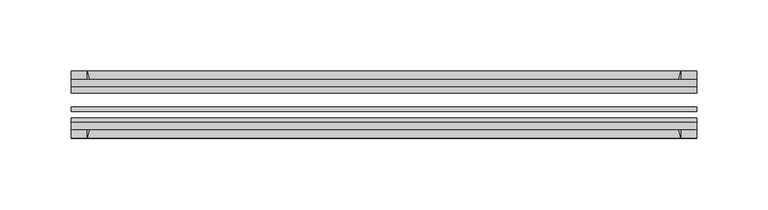
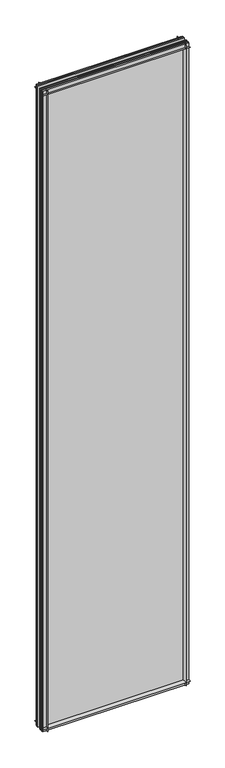
"""IFC4 building model written with IfcOpenShell, lengths in millimetres: plate geometry."""

from ifc_helpers import new_model, si_unit, point, frame, frame_2d, origin, place, context, project, spatial, polyline, circle_curve, trimmed, segment, composite_curve, outline, extrude, source, transform, mapped, element, save


def plate_2f130c12(model_context):
    return source(origin(), model_context, "Body", "SweptSolid", [
        extrude(outline(composite_curve([segment(polyline([(-74.653775, 0.0), (-80.586498, 0.0)]), True, "CONTINUOUS"), segment(trimmed(circle_curve(frame_2d((-86.2543953, 32.273404)), 32.7673262), [point((-80.586498, 0.0))], [point((-69.878575, 3.8915405))], True, "CARTESIAN"), True, "CONTINUOUS"), segment(polyline([(-69.878575, 3.8915405), (-69.878575, -10.31875), (-74.653775, -10.31875), (-74.653775, 0.0)]), True, "CONTINUOUS")], self_intersect=False)), frame((-219.075, 0.0, 0.0), z_axis=(1.0, 0.0, 0.0), x_axis=(0.0, 1.0, 0.0)), (0.0, 0.0, 1.0), 438.15),
        extrude(outline(composite_curve([segment(polyline([(-44.478575, -10.31875), (-44.478575, 3.8915405)]), True, "CONTINUOUS"), segment(trimmed(circle_curve(frame_2d((-28.1027547, 32.273404)), 32.7673262), [point((-44.478575, 3.8915405))], [point((-33.770652, 0.0))], True, "CARTESIAN"), True, "CONTINUOUS"), segment(polyline([(-33.770652, 0.0), (-39.703375, 0.0), (-39.703375, -10.31875), (-44.478575, -10.31875)]), True, "CONTINUOUS")], self_intersect=False)), frame((-219.075, 0.0, 0.0), z_axis=(1.0, 0.0, 0.0), x_axis=(0.0, 1.0, 0.0)), (0.0, 0.0, 1.0), 438.15),
        extrude(outline(composite_curve([segment(trimmed(circle_curve(frame_2d((-86.2543953, 1977.495246)), 32.7673262), [point((-69.878575, 2005.8771095))], [point((-80.622775, 2009.775))], True, "CARTESIAN"), True, "CONTINUOUS"), segment(polyline([(-80.622775, 2009.775), (-74.653775, 2009.775), (-74.653775, 2020.8875), (-69.878575, 2020.8875), (-69.878575, 2005.8771095)]), True, "CONTINUOUS")], self_intersect=False)), frame((-219.075, 0.0, 0.0), z_axis=(1.0, 0.0, 0.0), x_axis=(0.0, 1.0, 0.0)), (0.0, 0.0, 1.0), 438.15),
        extrude(outline(composite_curve([segment(polyline([(-44.478575, 2005.8771095), (-44.478575, 2020.8875), (-39.703375, 2020.8875), (-39.703375, 2009.775), (-33.734375, 2009.775)]), True, "CONTINUOUS"), segment(trimmed(circle_curve(frame_2d((-28.1027547, 1977.495246)), 32.7673262), [point((-33.734375, 2009.775))], [point((-44.478575, 2005.8771095))], True, "CARTESIAN"), True, "CONTINUOUS")], self_intersect=False)), frame((-219.075, 0.0, 0.0), z_axis=(1.0, 0.0, 0.0), x_axis=(0.0, 1.0, 0.0)), (0.0, 0.0, 1.0), 438.15),
        extrude(outline(composite_curve([segment(polyline([(204.0646095, -69.878575), (219.075, -69.878575), (219.075, -74.653775), (207.9625, -74.653775), (207.9625, -80.622775)]), True, "CONTINUOUS"), segment(trimmed(circle_curve(frame_2d((175.682746, -86.2543953)), 32.7673262), [point((207.9625, -80.622775))], [point((204.0646095, -69.878575))], True, "CARTESIAN"), True, "CONTINUOUS")], self_intersect=False)), frame((0.0, 0.0, -10.31875), z_axis=(0.0, 0.0, 1.0), x_axis=(1.0, 0.0, 0.0)), (0.0, 0.0, 1.0), 2031.20625),
        extrude(outline(composite_curve([segment(trimmed(circle_curve(frame_2d((175.682746, -28.1027547)), 32.7673262), [point((204.0646095, -44.478575))], [point((207.9625, -33.734375))], True, "CARTESIAN"), True, "CONTINUOUS"), segment(polyline([(207.9625, -33.734375), (207.9625, -39.703375), (219.075, -39.703375), (219.075, -44.478575), (204.0646095, -44.478575)]), True, "CONTINUOUS")], self_intersect=False)), frame((0.0, 0.0, -10.31875), z_axis=(0.0, 0.0, 1.0), x_axis=(1.0, 0.0, 0.0)), (0.0, 0.0, 1.0), 2031.20625),
        extrude(outline(composite_curve([segment(trimmed(circle_curve(frame_2d((-175.682746, -86.2543953)), 32.7673262), [point((-204.0646095, -69.878575))], [point((-207.9625, -80.622775))], True, "CARTESIAN"), True, "CONTINUOUS"), segment(polyline([(-207.9625, -80.622775), (-207.9625, -74.653775), (-219.075, -74.653775), (-219.075, -69.878575), (-204.0646095, -69.878575)]), True, "CONTINUOUS")], self_intersect=False)), frame((0.0, 0.0, -10.31875), z_axis=(0.0, 0.0, 1.0), x_axis=(1.0, 0.0, 0.0)), (0.0, 0.0, 1.0), 2031.20625),
        extrude(outline(composite_curve([segment(polyline([(-204.0646095, -44.478575), (-219.075, -44.478575), (-219.075, -39.703375), (-207.9625, -39.703375), (-207.9625, -33.734375)]), True, "CONTINUOUS"), segment(trimmed(circle_curve(frame_2d((-175.682746, -28.1027547)), 32.7673262), [point((-207.9625, -33.734375))], [point((-204.0646095, -44.478575))], True, "CARTESIAN"), True, "CONTINUOUS")], self_intersect=False)), frame((0.0, 0.0, -10.31875), z_axis=(0.0, 0.0, 1.0), x_axis=(1.0, 0.0, 0.0)), (0.0, 0.0, 1.0), 2031.20625),
        extrude(outline(polyline([(-219.075, -44.478575), (219.075, -44.478575), (219.075, -49.241075), (-219.075, -49.241075), (-219.075, -44.478575)])), frame((0.0, 0.0, -10.31875), z_axis=(0.0, 0.0, 1.0), x_axis=(1.0, 0.0, 0.0)), (0.0, 0.0, 1.0), 2031.20625),
        extrude(outline(polyline([(219.075, -58.956575), (219.075, -62.131575), (-219.075, -62.131575), (-219.075, -58.956575), (219.075, -58.956575)])), frame((0.0, 0.0, -10.31875), z_axis=(0.0, 0.0, 1.0), x_axis=(1.0, 0.0, 0.0)), (0.0, 0.0, 1.0), 2031.20625),
        extrude(outline(polyline([(-219.075, -66.703575), (219.075, -66.703575), (219.075, -69.878575), (-219.075, -69.878575), (-219.075, -66.703575)])), frame((0.0, 0.0, -10.31875), z_axis=(0.0, 0.0, 1.0), x_axis=(1.0, 0.0, 0.0)), (0.0, 0.0, 1.0), 2031.20625),
    ])


if __name__ == "__main__":
    model = new_model("IFC4")
    model_context = context("Model", 3, world=origin())
    ifc_project = project(units=[si_unit("LENGTHUNIT", "METRE", prefix="MILLI")], contexts=[model_context])
    site = spatial("IfcSite", under=ifc_project)
    building = spatial("IfcBuilding", under=site)
    placement = place(None, origin())
    plate_shape = plate_2f130c12(model_context)
    element("IfcPlate", 1, at=placement, inside=building, context=model_context, shape_type="MappedRepresentation", body=[
        mapped(plate_shape, transform((0.0, 0.0, 0.0), x_axis=(1.0, 0.0, 0.0), y_axis=(0.0, 1.0, 0.0), z_axis=(0.0, 0.0, 1.0))),
    ])
    save(model, "model.ifc")
